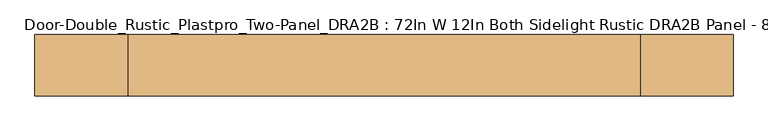
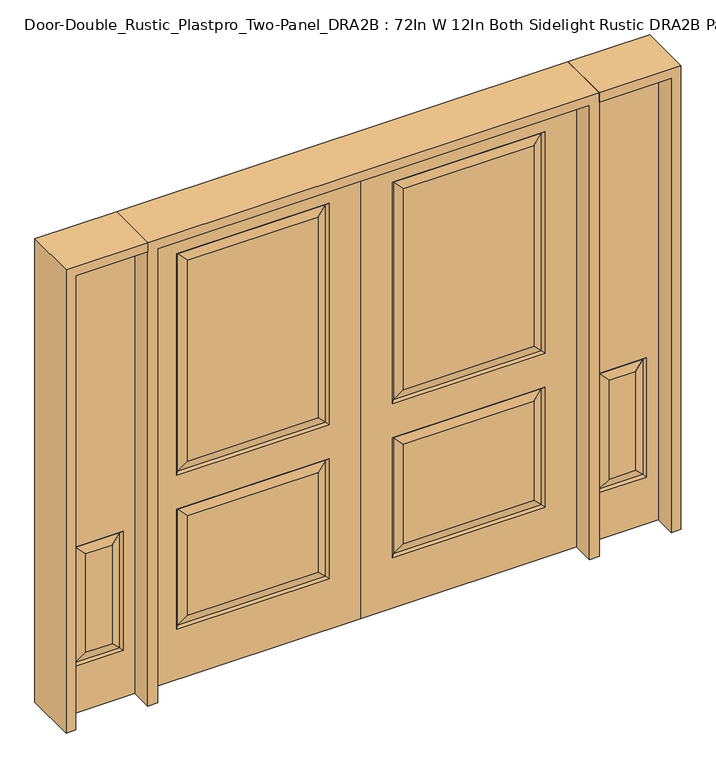
"""IFC4 building model written with IfcOpenShell, lengths in millimetres: door geometry, Door-Double_Rustic_Plastpro_Two-Panel_DRA2B : 72In W 12In Both Sidelight Rustic DRA2B Panel - 80In."""

from ifc_helpers import new_model, si_unit, frame, origin, place, context, project, spatial, polyline, outline, extrude, faceted_brep, source, transform, mapped, element, save


def door_double_rustic_plastpro_two_panel_dra2b_72in_w_12in_both_f5a8c9bc(model_context):
    return source(origin(), model_context, "Body", "SolidModel", [
        faceted_brep([(-914.4, 20.6375, 0.0), (0.0, 20.6375, 0.0), (0.0, -20.6375, 0.0), (-914.4, -20.6375, 0.0), (-914.4, 20.6375, 2032.0), (-914.4, -20.6375, 2032.0), (0.0, -20.6375, 2032.0), (-779.4625, -20.6375, 914.4), (-779.4625, -20.6375, 1905.0), (-134.9375, -20.6375, 1905.0), (-134.9375, -20.6375, 914.4), (-779.4625, -20.6375, 225.425), (-779.4625, -20.6375, 762.0), (-134.9375, -20.6375, 762.0), (-134.9375, -20.6375, 225.425), (-180.975, -20.6375, 960.4375), (-180.975, -20.6375, 1858.9625), (-733.425, -20.6375, 1858.9625), (-733.425, -20.6375, 960.4375), (-180.975, -20.6375, 271.4625), (-180.975, -20.6375, 715.9625), (-733.425, -20.6375, 715.9625), (-733.425, -20.6375, 271.4625), (0.0, 20.6375, 2032.0), (-779.4625, 20.6375, 762.0), (-779.4625, 20.6375, 225.425), (-134.9375, 20.6375, 225.425), (-134.9375, 20.6375, 762.0), (-779.4625, 20.6375, 1905.0), (-779.4625, 20.6375, 914.4), (-134.9375, 20.6375, 914.4), (-134.9375, 20.6375, 1905.0), (-180.975, 20.6375, 715.9625), (-180.975, 20.6375, 271.4625), (-733.425, 20.6375, 271.4625), (-733.425, 20.6375, 715.9625), (-180.975, 20.6375, 1858.9625), (-180.975, 20.6375, 960.4375), (-733.425, 20.6375, 960.4375), (-733.425, 20.6375, 1858.9625), (-143.9177561, 11.6572439, 923.3802561), (-143.9177561, 11.6572439, 1896.0197439), (-770.4822439, 11.6572439, 923.3802561), (-770.4822439, 11.6572439, 1896.0197439), (-770.4822439, 11.6572439, 753.0197439), (-143.9177561, 11.6572439, 753.0197439), (-143.9177561, 11.6572439, 234.4052561), (-770.4822439, 11.6572439, 234.4052561), (-770.4822439, -11.6572439, 923.3802561), (-143.9177561, -11.6572439, 923.3802561), (-143.9177561, -11.6572439, 1896.0197439), (-770.4822439, -11.6572439, 1896.0197439), (-770.4822439, -11.6572439, 234.4052561), (-143.9177561, -11.6572439, 234.4052561), (-143.9177561, -11.6572439, 753.0197439), (-770.4822439, -11.6572439, 753.0197439)], [[[0, 1, 2, 3]], [[4, 0, 3, 5]], [[5, 3, 2, 6], [7, 8, 9, 10], [11, 12, 13, 14]], [[15, 16, 17, 18]], [[19, 20, 21, 22]], [[6, 2, 1, 23]], [[23, 1, 0, 4], [24, 25, 26, 27], [28, 29, 30, 31]], [[32, 33, 34, 35]], [[36, 37, 38, 39]], [[31, 30, 40, 41]], [[30, 29, 42, 40]], [[43, 42, 29, 28]], [[39, 38, 42, 43]], [[40, 42, 38, 37]], [[41, 40, 37, 36]], [[44, 24, 27, 45]], [[27, 26, 46, 45]], [[26, 25, 47, 46]], [[44, 47, 25, 24]], [[45, 32, 35, 44]], [[35, 34, 47, 44]], [[46, 47, 34, 33]], [[45, 46, 33, 32]], [[48, 7, 10, 49]], [[10, 9, 50, 49]], [[48, 51, 8, 7]], [[49, 15, 18, 48]], [[18, 17, 51, 48]], [[49, 50, 16, 15]], [[52, 11, 14, 53]], [[14, 13, 54, 53]], [[13, 12, 55, 54]], [[52, 55, 12, 11]], [[53, 19, 22, 52]], [[22, 21, 55, 52]], [[54, 55, 21, 20]], [[53, 54, 20, 19]], [[4, 5, 6, 23]], [[9, 8, 51, 50]], [[50, 51, 17, 16]], [[43, 28, 31, 41]], [[41, 36, 39, 43]]]),
        faceted_brep([(1260.475, -20.6375, 0.0), (1260.475, -20.6375, 2032.0), (955.675, -20.6375, 2032.0), (955.675, -20.6375, 0.0), (1006.475, -20.6375, 209.55), (1006.475, -20.6375, 742.95), (1209.675, -20.6375, 742.95), (1209.675, -20.6375, 209.55), (1163.6375, -20.6375, 255.5875), (1163.6375, -20.6375, 696.9125), (1052.5125, -20.6375, 696.9125), (1052.5125, -20.6375, 255.5875), (955.675, 20.6375, 0.0), (1260.475, 20.6375, 0.0), (955.675, 20.6375, 2032.0), (1260.475, 20.6375, 2032.0), (1015.4552561, -11.6572439, 218.5302561), (1200.6947439, -11.6572439, 218.5302561), (1200.6947439, -11.6572439, 733.9697439), (1015.4552561, -11.6572439, 733.9697439), (1209.675, 20.6375, 209.55), (1209.675, 20.6375, 742.95), (1006.475, 20.6375, 742.95), (1006.475, 20.6375, 209.55), (1052.5125, 20.6375, 255.5875), (1052.5125, 20.6375, 696.9125), (1163.6375, 20.6375, 696.9125), (1163.6375, 20.6375, 255.5875), (1015.4552561, 11.6572439, 218.5302561), (1200.6947439, 11.6572439, 218.5302561), (1015.4552561, 11.6572439, 733.9697439), (1200.6947439, 11.6572439, 733.9697439)], [[[0, 1, 2, 3], [4, 5, 6, 7]], [[8, 9, 10, 11]], [[3, 12, 13, 0]], [[2, 14, 12, 3]], [[0, 13, 15, 1]], [[16, 4, 7, 17]], [[7, 6, 18, 17]], [[6, 5, 19, 18]], [[16, 19, 5, 4]], [[17, 8, 11, 16]], [[11, 10, 19, 16]], [[18, 19, 10, 9]], [[17, 18, 9, 8]], [[13, 12, 14, 15], [20, 21, 22, 23]], [[24, 25, 26, 27]], [[20, 23, 28, 29]], [[23, 22, 30, 28]], [[31, 30, 22, 21]], [[29, 31, 21, 20]], [[28, 24, 27, 29]], [[27, 26, 31, 29]], [[26, 25, 30, 31]], [[28, 30, 25, 24]], [[1, 15, 14, 2]]]),
        faceted_brep([(-1260.475, -20.6375, 0.0), (-955.675, -20.6375, 0.0), (-955.675, -20.6375, 2032.0), (-1260.475, -20.6375, 2032.0), (-1006.475, -20.6375, 209.55), (-1209.675, -20.6375, 209.55), (-1209.675, -20.6375, 742.95), (-1006.475, -20.6375, 742.95), (-1163.6375, -20.6375, 255.5875), (-1052.5125, -20.6375, 255.5875), (-1052.5125, -20.6375, 696.9125), (-1163.6375, -20.6375, 696.9125), (-1260.475, 20.6375, 0.0), (-955.675, 20.6375, 0.0), (-955.675, 20.6375, 2032.0), (-1260.475, 20.6375, 2032.0), (-1015.4552561, -11.6572439, 218.5302561), (-1200.6947439, -11.6572439, 218.5302561), (-1200.6947439, -11.6572439, 733.9697439), (-1015.4552561, -11.6572439, 733.9697439), (-1209.675, 20.6375, 209.55), (-1006.475, 20.6375, 209.55), (-1006.475, 20.6375, 742.95), (-1209.675, 20.6375, 742.95), (-1052.5125, 20.6375, 255.5875), (-1163.6375, 20.6375, 255.5875), (-1163.6375, 20.6375, 696.9125), (-1052.5125, 20.6375, 696.9125), (-1200.6947439, 11.6572439, 218.5302561), (-1015.4552561, 11.6572439, 218.5302561), (-1015.4552561, 11.6572439, 733.9697439), (-1200.6947439, 11.6572439, 733.9697439)], [[[0, 1, 2, 3], [4, 5, 6, 7]], [[8, 9, 10, 11]], [[1, 0, 12, 13]], [[2, 1, 13, 14]], [[0, 3, 15, 12]], [[16, 17, 5, 4]], [[5, 17, 18, 6]], [[6, 18, 19, 7]], [[16, 4, 7, 19]], [[17, 16, 9, 8]], [[9, 16, 19, 10]], [[18, 11, 10, 19]], [[17, 8, 11, 18]], [[12, 15, 14, 13], [20, 21, 22, 23]], [[24, 25, 26, 27]], [[20, 28, 29, 21]], [[21, 29, 30, 22]], [[31, 23, 22, 30]], [[28, 20, 23, 31]], [[29, 28, 25, 24]], [[25, 28, 31, 26]], [[26, 31, 30, 27]], [[29, 24, 27, 30]], [[3, 2, 14, 15]]]),
        faceted_brep([(914.4, 20.6375, 0.0), (914.4, -20.6375, 0.0), (0.0, -20.6375, 0.0), (0.0, 20.6375, 0.0), (914.4, 20.6375, 2032.0), (914.4, -20.6375, 2032.0), (180.975, -20.6375, 960.4375), (733.425, -20.6375, 960.4375), (733.425, -20.6375, 1858.9625), (180.975, -20.6375, 1858.9625), (180.975, -20.6375, 271.4625), (733.425, -20.6375, 271.4625), (733.425, -20.6375, 715.9625), (180.975, -20.6375, 715.9625), (0.0, -20.6375, 2032.0), (779.4625, -20.6375, 914.4), (134.9375, -20.6375, 914.4), (134.9375, -20.6375, 1905.0), (779.4625, -20.6375, 1905.0), (779.4625, -20.6375, 225.425), (134.9375, -20.6375, 225.425), (134.9375, -20.6375, 762.0), (779.4625, -20.6375, 762.0), (0.0, 20.6375, 2032.0), (180.975, 20.6375, 715.9625), (733.425, 20.6375, 715.9625), (733.425, 20.6375, 271.4625), (180.975, 20.6375, 271.4625), (180.975, 20.6375, 1858.9625), (733.425, 20.6375, 1858.9625), (733.425, 20.6375, 960.4375), (180.975, 20.6375, 960.4375), (779.4625, 20.6375, 762.0), (134.9375, 20.6375, 762.0), (134.9375, 20.6375, 225.425), (779.4625, 20.6375, 225.425), (779.4625, 20.6375, 1905.0), (134.9375, 20.6375, 1905.0), (134.9375, 20.6375, 914.4), (779.4625, 20.6375, 914.4), (143.9177561, 11.6572439, 1896.0197439), (143.9177561, 11.6572439, 923.3802561), (770.4822439, 11.6572439, 923.3802561), (770.4822439, 11.6572439, 1896.0197439), (770.4822439, 11.6572439, 753.0197439), (143.9177561, 11.6572439, 753.0197439), (143.9177561, 11.6572439, 234.4052561), (770.4822439, 11.6572439, 234.4052561), (770.4822439, -11.6572439, 923.3802561), (143.9177561, -11.6572439, 923.3802561), (143.9177561, -11.6572439, 1896.0197439), (770.4822439, -11.6572439, 1896.0197439), (770.4822439, -11.6572439, 234.4052561), (143.9177561, -11.6572439, 234.4052561), (143.9177561, -11.6572439, 753.0197439), (770.4822439, -11.6572439, 753.0197439)], [[[0, 1, 2, 3]], [[4, 5, 1, 0]], [[6, 7, 8, 9]], [[10, 11, 12, 13]], [[5, 14, 2, 1], [15, 16, 17, 18], [19, 20, 21, 22]], [[14, 23, 3, 2]], [[24, 25, 26, 27]], [[28, 29, 30, 31]], [[23, 4, 0, 3], [32, 33, 34, 35], [36, 37, 38, 39]], [[37, 40, 41, 38]], [[38, 41, 42, 39]], [[43, 36, 39, 42]], [[29, 43, 42, 30]], [[41, 31, 30, 42]], [[40, 28, 31, 41]], [[44, 45, 33, 32]], [[33, 45, 46, 34]], [[34, 46, 47, 35]], [[44, 32, 35, 47]], [[45, 44, 25, 24]], [[25, 44, 47, 26]], [[46, 27, 26, 47]], [[45, 24, 27, 46]], [[48, 49, 16, 15]], [[16, 49, 50, 17]], [[48, 15, 18, 51]], [[49, 48, 7, 6]], [[7, 48, 51, 8]], [[49, 6, 9, 50]], [[52, 53, 20, 19]], [[20, 53, 54, 21]], [[21, 54, 55, 22]], [[52, 19, 22, 55]], [[53, 52, 11, 10]], [[11, 52, 55, 12]], [[54, 13, 12, 55]], [[53, 10, 13, 54]], [[4, 23, 14, 5]], [[17, 50, 51, 18]], [[50, 9, 8, 51]], [[43, 40, 37, 36]], [[40, 43, 29, 28]]]),
        extrude(outline(polyline([(2032.0, -955.675), (2073.275, -955.675), (2073.275, -1301.75), (0.0, -1301.75), (0.0, -1260.475), (2032.0, -1260.475), (2032.0, -955.675)])), frame((0.0, -114.3, 0.0), z_axis=(0.0, 1.0, 0.0), x_axis=(0.0, 0.0, 1.0)), (0.0, 0.0, 1.0), 228.6),
        extrude(outline(polyline([(2073.275, -955.675), (0.0, -955.675), (0.0, -914.4), (2032.0, -914.4), (2032.0, 914.4), (0.0, 914.4), (0.0, 955.675), (2073.275, 955.675), (2073.275, -955.675)])), frame((0.0, -114.3, 0.0), z_axis=(0.0, 1.0, 0.0), x_axis=(0.0, 0.0, 1.0)), (0.0, 0.0, 1.0), 228.6),
        extrude(outline(polyline([(0.0, 1260.475), (0.0, 1301.75), (2073.275, 1301.75), (2073.275, 955.675), (2032.0, 955.675), (2032.0, 1260.475), (0.0, 1260.475)])), frame((0.0, -114.3, 0.0), z_axis=(0.0, 1.0, 0.0), x_axis=(0.0, 0.0, 1.0)), (0.0, 0.0, 1.0), 228.6),
    ])


if __name__ == "__main__":
    model = new_model("IFC4")
    model_context = context("Model", 3, world=origin())
    ifc_project = project(units=[si_unit("LENGTHUNIT", "METRE", prefix="MILLI")], contexts=[model_context])
    site = spatial("IfcSite", under=ifc_project)
    building = spatial("IfcBuilding", under=site)
    placement = place(None, origin())
    door_double_rustic_plastpro_two_panel_dra2b_72in_w_12in_both_shape = door_double_rustic_plastpro_two_panel_dra2b_72in_w_12in_both_f5a8c9bc(model_context)
    element("IfcDoor", 1, ObjectType="Door-Double_Rustic_Plastpro_Two-Panel_DRA2B : 72In W 12In Both Sidelight Rustic DRA2B Panel - 80In", at=placement, inside=building, context=model_context, shape_type="MappedRepresentation", body=[
        mapped(door_double_rustic_plastpro_two_panel_dra2b_72in_w_12in_both_shape, transform((0.0, 0.0, 0.0), x_axis=(1.0, 0.0, 0.0), y_axis=(0.0, 1.0, 0.0), z_axis=(0.0, 0.0, 1.0))),
    ])
    save(model, "model.ifc")
